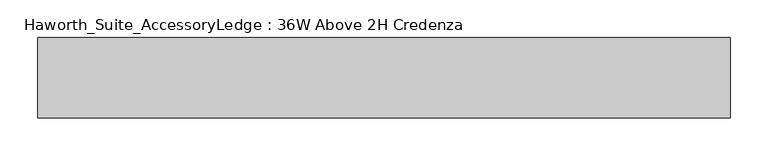
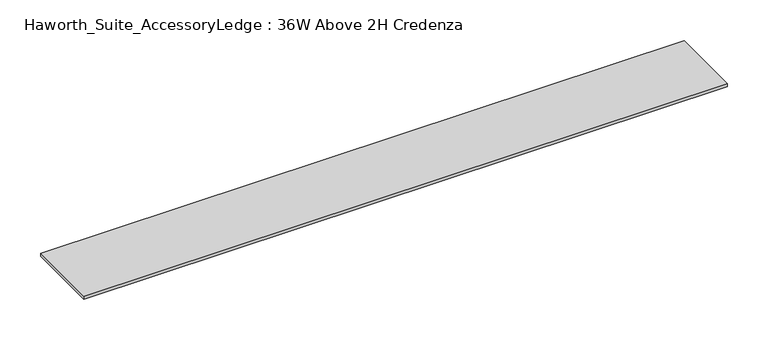
"""IFC4 building model written with IfcOpenShell, lengths in millimetres: furniture geometry, Haworth_Suite_AccessoryLedge : 36W Above 2H Credenza."""

from ifc_helpers import new_model, si_unit, frame, origin, place, context, project, spatial, polyline, outline, extrude, source, transform, mapped, element, save


def haworth_suite_accessoryledge_36w_above_2h_credenza_1c227676(model_context):
    return source(origin(), model_context, "Body", "SweptSolid", [
        extrude(outline(polyline([(444.5, -14.2875), (444.5, -120.65), (-469.9, -120.65), (-469.9, -14.2875), (444.5, -14.2875)])), frame((0.0, 0.0, 939.00625), z_axis=(0.0, 0.0, 1.0), x_axis=(1.0, 0.0, 0.0)), (0.0, 0.0, 1.0), 4.7625),
    ])


if __name__ == "__main__":
    model = new_model("IFC4")
    model_context = context("Model", 3, world=origin())
    ifc_project = project(units=[si_unit("LENGTHUNIT", "METRE", prefix="MILLI")], contexts=[model_context])
    site = spatial("IfcSite", under=ifc_project)
    building = spatial("IfcBuilding", under=site)
    placement = place(None, origin())
    haworth_suite_accessoryledge_36w_above_2h_credenza_shape = haworth_suite_accessoryledge_36w_above_2h_credenza_1c227676(model_context)
    element("IfcFurniture", 1, ObjectType="Haworth_Suite_AccessoryLedge : 36W Above 2H Credenza", at=placement, inside=building, context=model_context, shape_type="MappedRepresentation", body=[
        mapped(haworth_suite_accessoryledge_36w_above_2h_credenza_shape, transform((0.0, 0.0, 0.0), x_axis=(1.0, 0.0, 0.0), y_axis=(0.0, 1.0, 0.0), z_axis=(0.0, 0.0, 1.0))),
    ])
    save(model, "model.ifc")
